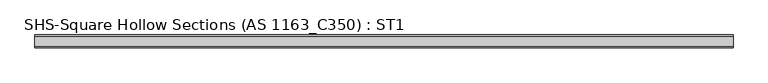
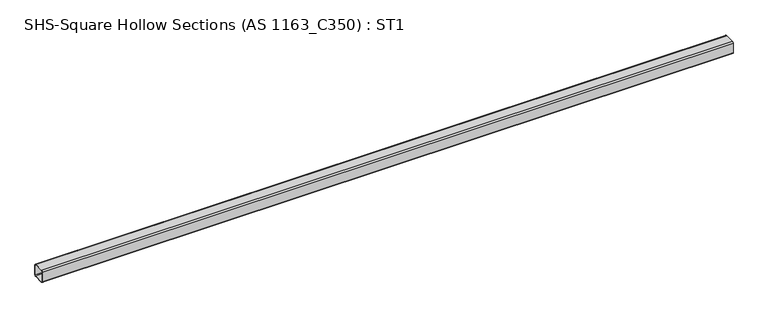
"""IFC4 building model written with IfcOpenShell, lengths in millimetres: beam geometry, SHS-Square Hollow Sections (AS 1163_C350) : ST1."""

import ifcopenshell
import ifcopenshell.guid

model = None  # the IFC model being written
_history = None  # IfcOwnerHistory: only IFC2X3 demands one
_inside = {}  # id of a spatial element -> (the spatial element, [elements in it])
_under = {}  # id of a project, library or spatial element -> (it, [spatial elements below it])
_declared = {}  # id of a project -> (the project, [libraries it declares])
_typed = {}  # id of a type object -> (the type object, [elements of that type])
_made_of = {}  # id of a material, layer set ... -> (it, [elements and type objects made of it])


def new_model(schema):
    """Start an empty IFC model of exactly this schema.

    Asked for "IFC4X3", IfcOpenShell would pick the latest addendum, in which some entities
    have other attributes; the version numbers below select the first issue.
    IFC2X3 requires an IfcOwnerHistory on every rooted entity: one is made here for all.
    """
    global model, _history
    if schema == "IFC4X3":
        model = ifcopenshell.file(schema_version=(4, 3, 0, 0))
    else:
        model = ifcopenshell.file(schema=schema)
    _inside.clear()
    _under.clear()
    _declared.clear()
    _typed.clear()
    _made_of.clear()
    _history = None
    if model.schema == "IFC2X3":
        org = make("IfcOrganization", Name="unknown")
        user = make(
            "IfcPersonAndOrganization",
            ThePerson=make("IfcPerson", FamilyName="unknown"),
            TheOrganization=org,
        )
        app = make(
            "IfcApplication",
            ApplicationDeveloper=org,
            Version="unknown",
            ApplicationFullName="unknown",
            ApplicationIdentifier="unknown",
        )
        _history = make(
            "IfcOwnerHistory",
            OwningUser=user,
            OwningApplication=app,
            ChangeAction="ADDED",
            CreationDate=0,
        )
    return model


def make(cls, **values):
    """One entity of the class cls with the attributes given. An attribute that is None is left unset."""
    return model.create_entity(
        cls, **{name: value for name, value in values.items() if value is not None}
    )


def rooted(cls, **values):
    """An entity with a GlobalId (a new one), such as an element, a storey or a relation."""
    return make(cls, GlobalId=ifcopenshell.guid.new(), OwnerHistory=_history, **values)


def si_unit(unit_type, name, prefix=None):
    """IfcSIUnit, for example si_unit("LENGTHUNIT", "METRE", prefix="MILLI")."""
    return make("IfcSIUnit", UnitType=unit_type, Prefix=prefix, Name=name)


def assignment(units):
    """IfcUnitAssignment: the units of a project."""
    return None if units is None else make("IfcUnitAssignment", Units=units)


def point(xyz):
    """IfcCartesianPoint."""
    return None if xyz is None else make("IfcCartesianPoint", Coordinates=xyz)


def direction(xyz):
    """IfcDirection."""
    return None if xyz is None else make("IfcDirection", DirectionRatios=xyz)


def frame(location, z_axis=None, x_axis=None):
    """IfcAxis2Placement3D, a coordinate frame: its origin and axes. An axis left out is left unset."""
    return make(
        "IfcAxis2Placement3D",
        Location=point(location),
        Axis=direction(z_axis),
        RefDirection=direction(x_axis),
    )


def frame_2d(location, x_axis=None):
    """IfcAxis2Placement2D, a coordinate frame in the plane: its origin and x axis."""
    return make(
        "IfcAxis2Placement2D", Location=point(location), RefDirection=direction(x_axis)
    )


def origin():
    """The frame at (0, 0, 0) with its axes left unset."""
    return frame((0.0, 0.0, 0.0))


def place(relative_to, where):
    """IfcLocalPlacement: puts the frame where relative to a parent placement (None: the world)."""
    return make(
        "IfcLocalPlacement", PlacementRelTo=relative_to, RelativePlacement=where
    )


def context(
    kind, dimensions, precision=None, world=None, true_north=None, identifier=None
):
    """IfcGeometricRepresentationContext, for example the 3D "Model" context."""
    return make(
        "IfcGeometricRepresentationContext",
        ContextIdentifier=identifier,
        ContextType=kind,
        CoordinateSpaceDimension=dimensions,
        Precision=precision,
        WorldCoordinateSystem=world,
        TrueNorth=true_north,
    )


def project(units=None, contexts=None):
    """IfcProject with its units and contexts."""
    return rooted(
        "IfcProject",
        Name="project",
        RepresentationContexts=contexts,
        UnitsInContext=assignment(units),
    )


def spatial(cls, under=None, at=None, **own):
    """A site, building, storey or space (cls), placed at a placement, below another one or the project."""
    s = rooted(cls, ObjectPlacement=at, **own)
    if under is not None:
        _under.setdefault(under.id(), (under, []))[1].append(s)
    return s


def polyline(points):
    """IfcPolyline through the points."""
    return make("IfcPolyline", Points=[point(p) for p in points])


def circle_curve(where, radius):
    """IfcCircle in the frame where."""
    return make("IfcCircle", Position=where, Radius=radius)


def trimmed(basis, trim1, trim2, sense, master):
    """IfcTrimmedCurve: the piece of a basis curve between two trims."""
    return make(
        "IfcTrimmedCurve",
        BasisCurve=basis,
        Trim1=trim1,
        Trim2=trim2,
        SenseAgreement=sense,
        MasterRepresentation=master,
    )


def segment(curve, same_sense, transition):
    """IfcCompositeCurveSegment."""
    return make(
        "IfcCompositeCurveSegment",
        Transition=transition,
        SameSense=same_sense,
        ParentCurve=curve,
    )


def composite_curve(segments, self_intersect=None):
    """IfcCompositeCurve: segments joined end to end."""
    return make("IfcCompositeCurve", Segments=segments, SelfIntersect=self_intersect)


def outline(outer, holes=None, kind="AREA"):
    """IfcArbitraryClosedProfileDef: a profile drawn as a closed curve; with holes, ...WithVoids."""
    if holes is None:
        return make("IfcArbitraryClosedProfileDef", ProfileType=kind, OuterCurve=outer)
    return make(
        "IfcArbitraryProfileDefWithVoids",
        ProfileType=kind,
        OuterCurve=outer,
        InnerCurves=holes,
    )


def extrude(swept, where, along, depth):
    """IfcExtrudedAreaSolid: the profile swept, set in the frame where, extruded along a direction by depth."""
    return make(
        "IfcExtrudedAreaSolid",
        SweptArea=swept,
        Position=where,
        ExtrudedDirection=direction(along),
        Depth=depth,
    )


def shape(context_of_items, identifier, shape_type, items):
    """IfcShapeRepresentation: the items that make up one representation, for example the "Body"."""
    return make(
        "IfcShapeRepresentation",
        ContextOfItems=context_of_items,
        RepresentationIdentifier=identifier,
        RepresentationType=shape_type,
        Items=items,
    )


def source(mapping_origin, context_of_items, identifier, shape_type, items):
    """IfcRepresentationMap: a shape defined once, which mapped items show again and again."""
    return make(
        "IfcRepresentationMap",
        MappingOrigin=mapping_origin,
        MappedRepresentation=shape(context_of_items, identifier, shape_type, items),
    )


def transform(
    local_origin,
    x_axis=None,
    y_axis=None,
    z_axis=None,
    scale=None,
    scale2=None,
    scale3=None,
    uniform=True,
):
    """IfcCartesianTransformationOperator3D, or its non-uniform kind. x_axis, y_axis, z_axis: its Axis1, 2, 3."""
    if uniform:
        return make(
            "IfcCartesianTransformationOperator3D",
            Axis1=direction(x_axis),
            Axis2=direction(y_axis),
            LocalOrigin=point(local_origin),
            Scale=scale,
            Axis3=direction(z_axis),
        )
    return make(
        "IfcCartesianTransformationOperator3DnonUniform",
        Axis1=direction(x_axis),
        Axis2=direction(y_axis),
        LocalOrigin=point(local_origin),
        Scale=scale,
        Axis3=direction(z_axis),
        Scale2=scale2,
        Scale3=scale3,
    )


def mapped(mapping_source, mapping_target):
    """IfcMappedItem: shows the shape of a source again, moved by a transform."""
    return make(
        "IfcMappedItem", MappingSource=mapping_source, MappingTarget=mapping_target
    )


def made_of(thing, what):
    """Note that an element or type object is made of a material, layer set ...; save() writes the relation."""
    if what is not None:
        _made_of.setdefault(what.id(), (what, []))[1].append(thing)
    return thing


def element(
    cls,
    number,
    at=None,
    inside=None,
    cuts=None,
    type_object=None,
    material=None,
    context=None,
    identifier="Body",
    shape_type=None,
    held_by="IfcProductDefinitionShape",
    body=None,
    shapes=None,
    **own,
):
    """One element of the class cls, such as IfcWall. Its Tag is "e" and its number.

    at: its placement. inside: the storey or other place that contains it. cuts: it is an
    opening in that element (IfcRelVoidsElement). A single representation is given by context,
    identifier, shape_type and body (its items); several are given by shapes. held_by: the class
    of the entity that holds the representations. save() writes the other relations.
    """
    e = rooted(cls, Tag="e%d" % number, ObjectPlacement=at, **own)
    if body is not None:
        shapes = [shape(context, identifier, shape_type, body)]
    if shapes is not None:
        e.Representation = make(held_by, Representations=shapes)
    if inside is not None:
        _inside.setdefault(inside.id(), (inside, []))[1].append(e)
    if cuts is not None:
        rooted(
            "IfcRelVoidsElement", RelatingBuildingElement=cuts, RelatedOpeningElement=e
        )
    if type_object is not None:
        _typed.setdefault(type_object.id(), (type_object, []))[1].append(e)
    return made_of(e, material)


def aggregate(whole, parts):
    """IfcRelAggregates: a whole, such as a stair, and the parts it consists of."""
    return rooted("IfcRelAggregates", RelatingObject=whole, RelatedObjects=parts)


def save(model, path):
    """Write the relations noted so far, then the file.

    IfcRelAggregates (storeys below a building ...), IfcRelContainedInSpatialStructure (elements
    in a storey), IfcRelDefinesByType, IfcRelAssociatesMaterial and IfcRelDeclares: one each for
    every whole, place, type object, material and project.
    """
    for whole, parts in _under.values():
        aggregate(whole, parts)
    for where, things in _inside.values():
        rooted(
            "IfcRelContainedInSpatialStructure",
            RelatedElements=things,
            RelatingStructure=where,
        )
    for kind, things in _typed.values():
        rooted("IfcRelDefinesByType", RelatedObjects=things, RelatingType=kind)
    for what, things in _made_of.values():
        rooted("IfcRelAssociatesMaterial", RelatedObjects=things, RelatingMaterial=what)
    for by, libraries in _declared.values():
        rooted("IfcRelDeclares", RelatingContext=by, RelatedDefinitions=libraries)
    model.write(path)


def shs_square_hollow_sections_as_1163_c350_st1_8f5d40a6(model_context):
    return source(origin(), model_context, "Body", "SweptSolid", [
        extrude(outline(composite_curve([segment(polyline([(50.0, 40.0), (50.0, -40.0)]), True, "CONTINUOUS"), segment(trimmed(circle_curve(frame_2d((40.0, -40.0)), 10.0), [point((50.0, -40.0))], [point((40.0, -50.0))], False, "CARTESIAN"), True, "CONTINUOUS"), segment(polyline([(40.0, -50.0), (-40.0, -50.0)]), True, "CONTINUOUS"), segment(trimmed(circle_curve(frame_2d((-40.0, -40.0)), 10.0), [point((-40.0, -50.0))], [point((-50.0, -40.0))], False, "CARTESIAN"), True, "CONTINUOUS"), segment(polyline([(-50.0, -40.0), (-50.0, 40.0)]), True, "CONTINUOUS"), segment(trimmed(circle_curve(frame_2d((-40.0, 40.0)), 10.0), [point((-50.0, 40.0))], [point((-40.0, 50.0))], False, "CARTESIAN"), True, "CONTINUOUS"), segment(polyline([(-40.0, 50.0), (40.0, 50.0)]), True, "CONTINUOUS"), segment(trimmed(circle_curve(frame_2d((40.0, 40.0)), 10.0), [point((40.0, 50.0))], [point((50.0, 40.0))], False, "CARTESIAN"), True, "CONTINUOUS")], self_intersect=False), holes=[composite_curve([segment(trimmed(circle_curve(frame_2d((-40.0, 40.0)), 6.0), [point((-40.0, 46.0))], [point((-46.0, 40.0))], True, "CARTESIAN"), True, "CONTINUOUS"), segment(polyline([(-46.0, 40.0), (-46.0, -40.0)]), True, "CONTINUOUS"), segment(trimmed(circle_curve(frame_2d((-40.0, -40.0)), 6.0), [point((-46.0, -40.0))], [point((-40.0, -46.0))], True, "CARTESIAN"), True, "CONTINUOUS"), segment(polyline([(-40.0, -46.0), (40.0, -46.0)]), True, "CONTINUOUS"), segment(trimmed(circle_curve(frame_2d((40.0, -40.0)), 6.0), [point((40.0, -46.0))], [point((46.0, -40.0))], True, "CARTESIAN"), True, "CONTINUOUS"), segment(polyline([(46.0, -40.0), (46.0, 40.0)]), True, "CONTINUOUS"), segment(trimmed(circle_curve(frame_2d((40.0, 40.0)), 6.0), [point((46.0, 40.0))], [point((40.0, 46.0))], True, "CARTESIAN"), True, "CONTINUOUS"), segment(polyline([(40.0, 46.0), (-40.0, 46.0)]), True, "CONTINUOUS")], self_intersect=False)]), frame((-2747.7, 0.0, 0.0), z_axis=(1.0, 0.0, 0.0), x_axis=(0.0, 1.0, 0.0)), (0.0, 0.0, 1.0), 5495.4),
    ])


if __name__ == "__main__":
    model = new_model("IFC4")
    model_context = context("Model", 3, world=origin())
    ifc_project = project(units=[si_unit("LENGTHUNIT", "METRE", prefix="MILLI")], contexts=[model_context])
    site = spatial("IfcSite", under=ifc_project)
    building = spatial("IfcBuilding", under=site)
    placement = place(None, origin())
    shs_square_hollow_sections_as_1163_c350_st1_shape = shs_square_hollow_sections_as_1163_c350_st1_8f5d40a6(model_context)
    element("IfcBeam", 1, ObjectType="SHS-Square Hollow Sections (AS 1163_C350) : ST1", at=placement, inside=building, context=model_context, shape_type="MappedRepresentation", body=[
        mapped(shs_square_hollow_sections_as_1163_c350_st1_shape, transform((0.0, 0.0, 0.0), x_axis=(1.0, 0.0, 0.0), y_axis=(0.0, 1.0, 0.0), z_axis=(0.0, 0.0, 1.0))),
    ])
    save(model, "model.ifc")
